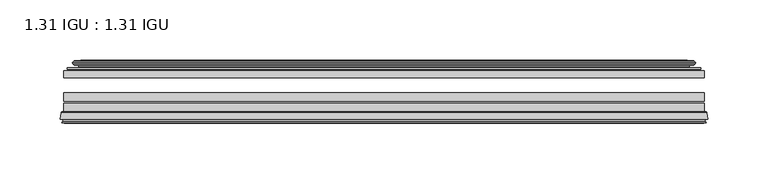
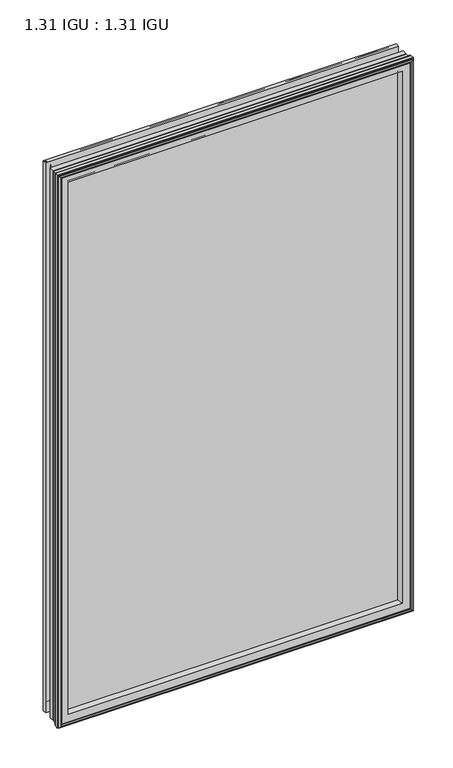
"""IFC4 building model written with IfcOpenShell, lengths in millimetres: plate geometry, 1.31 IGU : 1.31 IGU."""

from ifc_helpers import new_model, si_unit, frame, origin, place, context, project, spatial, polyline, ellipse_curve, outline, extrude, source, transform, mapped, element, save
from ifc_brep_helpers import plane_surface, cylinder_surface, revolved_surface, advanced_brep


def plate_1_31_igu_1_31_igu_f7d1cecb(model_context):
    return source(origin(), model_context, "Body", "SolidModel", [
        extrude(outline(polyline([(265.1078362, -44.8960875), (265.1078362, -50.4332875), (-265.1127713, -50.4332875), (-265.1127713, -44.8960875), (265.1078362, -44.8960875)])), frame((0.0, 0.0, -14.2875), z_axis=(0.0, 0.0, 1.0), x_axis=(1.0, 0.0, 0.0)), (0.0, 0.0, 1.0), 873.1260851),
        extrude(outline(polyline([(-265.1127713, -78.7796875), (-265.1127713, -71.7692875), (265.1078362, -71.7692875), (265.1078362, -78.7796875), (-265.1127713, -78.7796875)])), frame((0.0, 0.0, -14.2875), z_axis=(0.0, 0.0, 1.0), x_axis=(1.0, 0.0, 0.0)), (0.0, 0.0, 1.0), 873.1260851),
        extrude(outline(polyline([(-265.1127713, -70.2452875), (-265.1127713, -63.1332875), (265.1078362, -63.1332875), (265.1078362, -70.2452875), (-265.1127713, -70.2452875)])), frame((0.0, 0.0, -14.2875), z_axis=(0.0, 0.0, 1.0), x_axis=(1.0, 0.0, 0.0)), (0.0, 0.0, 1.0), 873.1260851),
        advanced_brep(
        [(-267.6596752, -85.1296875, 861.385489), (-266.9648914, -79.4711276, 860.6907053), (-266.9648914, -79.4711276, -16.1396201), (-267.6596752, -85.1296875, -16.8344039), (-265.2720752, -87.1207518, 858.997889), (-265.7292752, -85.1296875, 859.455089), (-265.7292752, -85.1296875, -14.9040039), (-265.2720752, -87.1207518, -14.4468039), (-266.2734371, -86.8524376, 859.9992509), (-266.2734371, -86.8524376, -15.4481658), (-266.5166752, -87.7602147, 860.242489), (-266.5166752, -87.7602147, -15.6914039), (-264.4846752, -88.3046875, 858.210489), (-264.4846752, -88.3046875, -13.6594039), (-262.4526752, -87.7602147, 856.178489), (-262.4526752, -87.7602147, -11.6274039), (-262.6959133, -86.8524376, 856.4217272), (-262.6959133, -86.8524376, -11.8706421), (-263.6972752, -87.1207518, 857.423089), (-263.6972752, -87.1207518, -12.8720039), (-263.2400752, -85.1296875, 856.965889), (-263.2400752, -85.1296875, -12.4148039), (-266.1833606, -78.7796875, 859.9091744), (-266.1833606, -78.7796875, -15.3580893), (266.9648914, -79.4711276, -16.1396201), (267.6596752, -85.1296875, -16.8344039), (265.7292752, -85.1296875, -14.9040039), (265.2720752, -87.1207518, -14.4468039), (266.2734371, -86.8524376, -15.4481658), (266.5166752, -87.7602147, -15.6914039), (264.4846752, -88.3046875, -13.6594039), (262.4526752, -87.7602147, -11.6274039), (262.6959133, -86.8524376, -11.8706421), (263.6972752, -87.1207518, -12.8720039), (263.2400752, -85.1296875, -12.4148039), (266.1833606, -78.7796875, -15.3580893), (266.9648914, -79.4711276, 860.6907053), (267.6596752, -85.1296875, 861.385489), (265.7292752, -85.1296875, 859.455089), (265.2720752, -87.1207518, 858.997889), (266.2734371, -86.8524376, 859.9992509), (266.5166752, -87.7602147, 860.242489), (264.4846752, -88.3046875, 858.210489), (262.4526752, -87.7602147, 856.178489), (262.6959133, -86.8524376, 856.4217272), (263.6972752, -87.1207518, 857.423089), (263.2400752, -85.1296875, 856.965889), (266.1833606, -78.7796875, 859.9091744), (-250.8374844, -85.1296875, 844.5632982), (250.8374844, -85.1296875, 844.5632982), (250.8374844, -85.1296875, -0.0122131), (-250.8374844, -85.1296875, -0.0122131), (-247.5212075, -78.7796875, 3.3040638), (247.5212075, -78.7796875, 3.3040638), (247.5212075, -78.7796875, 841.2470213), (-247.5212075, -78.7796875, 841.2470213)],
        [
            (0, 1),
            (1, 2),
            (2, 3),
            (3, 0),
            (4, 5),
            (5, 6),
            (6, 7),
            (7, 4),
            (8, 4),
            (7, 9),
            (9, 8),
            (10, 8),
            (9, 11),
            (11, 10),
            (12, 10),
            (11, 13),
            (13, 12),
            (14, 12),
            (13, 15),
            (15, 14),
            (16, 14),
            (15, 17),
            (17, 16),
            (18, 16),
            (17, 19),
            (19, 18),
            (20, 18),
            (19, 21),
            (21, 20),
            (1, 22, ellipse_curve(frame((-266.1833606, -79.5670875, 859.9091744), z_axis=(-0.7071067811865475, 0.0, -0.7071067811865475), x_axis=(-0.7071067811865474, 0.0, 0.7071067811865476)), 1.1135518, 0.7874)),
            (22, 23),
            (23, 2, ellipse_curve(frame((-266.1833606, -79.5670875, -15.3580893), z_axis=(-0.7071067811865475, 0.0, 0.7071067811865475), x_axis=(0.7071067811865474, 0.0, 0.7071067811865476)), 1.1135518, 0.7874)),
            (2, 24),
            (24, 25),
            (25, 3),
            (6, 26),
            (26, 27),
            (27, 7),
            (27, 28),
            (28, 9),
            (28, 29),
            (29, 11),
            (29, 30),
            (30, 13),
            (30, 31),
            (31, 15),
            (31, 32),
            (32, 17),
            (32, 33),
            (33, 19),
            (33, 34),
            (34, 21),
            (23, 35),
            (35, 24, ellipse_curve(frame((266.1833606, -79.5670875, -15.3580893), z_axis=(-0.7071067811865475, 0.0, -0.7071067811865475), x_axis=(-0.7071067811865476, 0.0, 0.7071067811865474)), 1.1135518, 0.7874)),
            (24, 36),
            (36, 37),
            (37, 25),
            (26, 38),
            (38, 39),
            (39, 27),
            (39, 40),
            (40, 28),
            (40, 41),
            (41, 29),
            (41, 42),
            (42, 30),
            (42, 43),
            (43, 31),
            (43, 44),
            (44, 32),
            (44, 45),
            (45, 33),
            (45, 46),
            (46, 34),
            (35, 47),
            (47, 36, ellipse_curve(frame((266.1833606, -79.5670875, 859.9091744), z_axis=(0.7071067811865475, 0.0, -0.7071067811865475), x_axis=(-0.7071067811865474, 0.0, -0.7071067811865476)), 1.1135518, 0.7874)),
            (36, 1),
            (0, 37),
            (5, 38),
            (4, 39),
            (8, 40),
            (10, 41),
            (12, 42),
            (14, 43),
            (16, 44),
            (18, 45),
            (20, 46),
            (48, 49),
            (49, 50),
            (50, 51),
            (51, 48),
            (22, 47),
            (52, 53),
            (53, 54),
            (54, 55),
            (55, 52),
            (55, 48, ellipse_curve(frame((-239.5881895, -86.963653, 833.3140033), z_axis=(0.7071067811865475, 0.0, 0.7071067811865475), x_axis=(0.7071067811865474, 0.0, -0.7071067811865476)), 16.118937, 11.3978097)),
            (51, 52, ellipse_curve(frame((-239.5881895, -86.963653, 11.2370818), z_axis=(0.7071067811865475, 0.0, -0.7071067811865475), x_axis=(-0.7071067811865474, 0.0, -0.7071067811865476)), 16.118937, 11.3978097)),
            (50, 53, ellipse_curve(frame((239.5881895, -86.963653, 11.2370818), z_axis=(0.7071067811865475, 0.0, 0.7071067811865475), x_axis=(0.7071067811865476, 0.0, -0.7071067811865474)), 16.118937, 11.3978097)),
            (49, 54, ellipse_curve(frame((239.5881895, -86.963653, 833.3140033), z_axis=(-0.7071067811865475, 0.0, 0.7071067811865475), x_axis=(0.7071067811865474, 0.0, 0.7071067811865476)), 16.118937, 11.3978097)),
        ],
        [
            plane_surface(frame((-266.9648914, -79.4711276, 860.6907053), z_axis=(-0.9925461516413008, 0.12186934340532067, 0.0), x_axis=(0.0, 0.0, -1.0))),
            plane_surface(frame((-265.7292752, -85.1296875, 859.455089), z_axis=(-0.9746347637895997, -0.22380142361654332, 0.0), x_axis=(0.0, 0.0, -1.0))),
            plane_surface(frame((-265.2720752, -87.1207518, 858.997889), z_axis=(0.25881904510266784, 0.9659258262890289, 0.0), x_axis=(0.0, 0.0, -1.0))),
            plane_surface(frame((-266.2734371, -86.8524376, 859.9992509), z_axis=(-0.9659258262890449, 0.2588190451026083, 0.0), x_axis=(0.0, 0.0, -1.0))),
            plane_surface(frame((-266.5166752, -87.7602147, 860.242489), z_axis=(-0.2588190451025689, -0.9659258262890554, 0.0), x_axis=(0.0, 0.0, -1.0))),
            plane_surface(frame((-264.4846752, -88.3046875, 858.210489), z_axis=(0.25881904510241466, -0.9659258262890968, 0.0), x_axis=(0.0, 0.0, -1.0))),
            plane_surface(frame((-262.4526752, -87.7602147, 856.178489), z_axis=(0.9659258262890272, 0.25881904510267406, 0.0), x_axis=(0.0, 0.0, -1.0))),
            plane_surface(frame((-262.6959133, -86.8524376, 856.4217272), z_axis=(-0.25881904510234177, 0.9659258262891163, 0.0), x_axis=(0.0, 0.0, -1.0))),
            plane_surface(frame((-263.6972752, -87.1207518, 857.423089), z_axis=(0.9746347637895936, -0.2238014236165695, 0.0), x_axis=(0.0, 0.0, -1.0))),
            cylinder_surface(frame((-266.1833606, -79.5670875, 876.3010851), z_axis=(0.0, 0.0, 1.0), x_axis=(-1.0, 0.0, 0.0)), 0.7874),
            plane_surface(frame((-266.9648914, -79.4711276, -16.1396201), z_axis=(0.0, 0.12186934340531747, -0.9925461516413012), x_axis=(1.0, 0.0, 0.0))),
            plane_surface(frame((-265.7292752, -85.1296875, -14.9040039), z_axis=(0.0, -0.22380142361654648, -0.9746347637895989), x_axis=(1.0, 0.0, 0.0))),
            plane_surface(frame((-265.2720752, -87.1207518, -14.4468039), z_axis=(0.0, 0.9659258262890298, 0.25881904510266474), x_axis=(1.0, 0.0, 0.0))),
            plane_surface(frame((-266.2734371, -86.8524376, -15.4481658), z_axis=(0.0, 0.25881904510260517, -0.9659258262890458), x_axis=(1.0, 0.0, 0.0))),
            plane_surface(frame((-266.5166752, -87.7602147, -15.6914039), z_axis=(0.0, -0.9659258262890563, -0.2588190451025658), x_axis=(1.0, 0.0, 0.0))),
            plane_surface(frame((-264.4846752, -88.3046875, -13.6594039), z_axis=(0.0, -0.965925826289096, 0.25881904510241777), x_axis=(1.0, 0.0, 0.0))),
            plane_surface(frame((-262.4526752, -87.7602147, -11.6274039), z_axis=(0.0, 0.2588190451026772, 0.9659258262890265), x_axis=(1.0, 0.0, 0.0))),
            plane_surface(frame((-262.6959133, -86.8524376, -11.8706421), z_axis=(0.0, 0.9659258262891154, -0.2588190451023449), x_axis=(1.0, 0.0, 0.0))),
            plane_surface(frame((-263.6972752, -87.1207518, -12.8720039), z_axis=(0.0, -0.22380142361656633, 0.9746347637895943), x_axis=(1.0, 0.0, 0.0))),
            cylinder_surface(frame((-282.5752713, -79.5670875, -15.3580893), z_axis=(-1.0, 0.0, 0.0), x_axis=(0.0, 0.0, -1.0)), 0.7874),
            plane_surface(frame((266.9648914, -79.4711276, -16.1396201), z_axis=(0.9925461516413017, 0.12186934340531426, 0.0), x_axis=(0.0, 0.0, 1.0))),
            plane_surface(frame((265.7292752, -85.1296875, -14.9040039), z_axis=(0.9746347637895981, -0.22380142361654964, 0.0), x_axis=(0.0, 0.0, 1.0))),
            plane_surface(frame((265.2720752, -87.1207518, -14.4468039), z_axis=(-0.2588190451026616, 0.9659258262890307, 0.0), x_axis=(0.0, 0.0, 1.0))),
            plane_surface(frame((266.2734371, -86.8524376, -15.4481658), z_axis=(0.9659258262890467, 0.25881904510260206, 0.0), x_axis=(0.0, 0.0, 1.0))),
            plane_surface(frame((266.5166752, -87.7602147, -15.6914039), z_axis=(0.2588190451025627, -0.9659258262890572, 0.0), x_axis=(0.0, 0.0, 1.0))),
            plane_surface(frame((264.4846752, -88.3046875, -13.6594039), z_axis=(-0.2588190451024209, -0.9659258262890951, 0.0), x_axis=(0.0, 0.0, 1.0))),
            plane_surface(frame((262.4526752, -87.7602147, -11.6274039), z_axis=(-0.9659258262890256, 0.25881904510268033, 0.0), x_axis=(0.0, 0.0, 1.0))),
            plane_surface(frame((262.6959133, -86.8524376, -11.8706421), z_axis=(0.25881904510234804, 0.9659258262891146, 0.0), x_axis=(0.0, 0.0, 1.0))),
            plane_surface(frame((263.6972752, -87.1207518, -12.8720039), z_axis=(-0.9746347637895951, -0.22380142361656316, 0.0), x_axis=(0.0, 0.0, 1.0))),
            cylinder_surface(frame((266.1833606, -79.5670875, -31.75), z_axis=(0.0, 0.0, -1.0), x_axis=(1.0, 0.0, 0.0)), 0.7874),
            plane_surface(frame((266.9648914, -79.4711276, 860.6907053), z_axis=(0.0, 0.12186934340531747, 0.9925461516413012), x_axis=(-1.0, 0.0, 0.0))),
            plane_surface(frame((267.6596752, -85.1296875, 861.385489), z_axis=(0.0, -1.0, 0.0), x_axis=(-1.0, 0.0, 0.0))),
            plane_surface(frame((265.7292752, -85.1296875, 859.455089), z_axis=(0.0, -0.22380142361654648, 0.9746347637895989), x_axis=(-1.0, 0.0, 0.0))),
            plane_surface(frame((265.2720752, -87.1207518, 858.997889), z_axis=(0.0, 0.9659258262890298, -0.25881904510266474), x_axis=(-1.0, 0.0, 0.0))),
            plane_surface(frame((266.2734371, -86.8524376, 859.9992509), z_axis=(0.0, 0.25881904510260517, 0.9659258262890458), x_axis=(-1.0, 0.0, 0.0))),
            plane_surface(frame((266.5166752, -87.7602147, 860.242489), z_axis=(0.0, -0.9659258262890563, 0.2588190451025658), x_axis=(-1.0, 0.0, 0.0))),
            plane_surface(frame((264.4846752, -88.3046875, 858.210489), z_axis=(0.0, -0.965925826289096, -0.25881904510241777), x_axis=(-1.0, 0.0, 0.0))),
            plane_surface(frame((262.4526752, -87.7602147, 856.178489), z_axis=(0.0, 0.2588190451026772, -0.9659258262890265), x_axis=(-1.0, 0.0, 0.0))),
            plane_surface(frame((262.6959133, -86.8524376, 856.4217272), z_axis=(0.0, 0.9659258262891155, 0.25881904510234494), x_axis=(-1.0, 0.0, 0.0))),
            plane_surface(frame((263.6972752, -87.1207518, 857.423089), z_axis=(0.0, -0.22380142361656633, -0.9746347637895943), x_axis=(-1.0, 0.0, 0.0))),
            plane_surface(frame((263.2400752, -85.1296875, 856.965889), z_axis=(0.0, -1.0, 0.0), x_axis=(-1.0, 0.0, 0.0))),
            plane_surface(frame((247.5212075, -78.7796875, 841.2470213), z_axis=(0.0, 1.0, 0.0), x_axis=(-1.0, 0.0, 0.0))),
            cylinder_surface(frame((282.5752713, -79.5670875, 859.9091744), z_axis=(1.0, 0.0, 0.0), x_axis=(0.0, 0.0, 1.0)), 0.7874),
            revolved_surface(polyline([(-250.9859992, -86.963653, -0.1607278582187064), (-250.9859992, -86.963653, 844.7118129582187)]), (-239.5881895, -86.963653, 876.3010851), (0.0, 0.0, -1.0)),
            revolved_surface(polyline([(250.9859991582187, -86.963653, -0.16072789999999948), (-250.98599915821873, -86.963653, -0.16072789999999948)]), (-282.5752713, -86.963653, 11.2370818), (1.0, 0.0, 0.0)),
            revolved_surface(polyline([(250.9859992, -86.963653, 844.7118129582187), (250.9859992, -86.963653, -0.16072785821874191)]), (239.5881895, -86.963653, -31.75), (0.0, 0.0, 1.0)),
            revolved_surface(polyline([(-250.9859991582187, -86.963653, 844.711813), (250.98599915821873, -86.963653, 844.711813)]), (282.5752713, -86.963653, 833.3140033), (-1.0, 0.0, 0.0)),
        ],
        [
            (0, [[1, 2, 3, 4]]),
            (1, [[5, 6, 7, 8]]),
            (2, [[9, -8, 10, 11]]),
            (3, [[12, -11, 13, 14]]),
            (4, [[15, -14, 16, 17]]),
            (5, [[18, -17, 19, 20]]),
            (6, [[21, -20, 22, 23]]),
            (7, [[24, -23, 25, 26]]),
            (8, [[27, -26, 28, 29]]),
            (9, [[30, 31, 32, -2]]),
            (10, [[-3, 33, 34, 35]]),
            (11, [[-7, 36, 37, 38]]),
            (12, [[-10, -38, 39, 40]]),
            (13, [[-13, -40, 41, 42]]),
            (14, [[-16, -42, 43, 44]]),
            (15, [[-19, -44, 45, 46]]),
            (16, [[-22, -46, 47, 48]]),
            (17, [[-25, -48, 49, 50]]),
            (18, [[-28, -50, 51, 52]]),
            (19, [[-32, 53, 54, -33]]),
            (20, [[-34, 55, 56, 57]]),
            (21, [[-37, 58, 59, 60]]),
            (22, [[-39, -60, 61, 62]]),
            (23, [[-41, -62, 63, 64]]),
            (24, [[-43, -64, 65, 66]]),
            (25, [[-45, -66, 67, 68]]),
            (26, [[-47, -68, 69, 70]]),
            (27, [[-49, -70, 71, 72]]),
            (28, [[-51, -72, 73, 74]]),
            (29, [[-54, 75, 76, -55]]),
            (30, [[-56, 77, -1, 78]]),
            (31, [[-35, -57, -78, -4], [79, -58, -36, -6]]),
            (32, [[-59, -79, -5, 80]]),
            (33, [[-61, -80, -9, 81]]),
            (34, [[-63, -81, -12, 82]]),
            (35, [[-65, -82, -15, 83]]),
            (36, [[-67, -83, -18, 84]]),
            (37, [[-69, -84, -21, 85]]),
            (38, [[-71, -85, -24, 86]]),
            (39, [[-73, -86, -27, 87]]),
            (40, [[-52, -74, -87, -29], [88, 89, 90, 91]]),
            (41, [[92, -75, -53, -31], [93, 94, 95, 96]]),
            (42, [[-76, -92, -30, -77]]),
            (43, [[97, -91, 98, -96]]),
            (44, [[-98, -90, 99, -93]]),
            (45, [[-99, -89, 100, -94]]),
            (46, [[-100, -88, -97, -95]]),
        ],
    ),
        advanced_brep(
        [(-255.7674468, -37.7373382, 849.4932606), (-250.8258138, -36.3108875, 844.5516277), (-250.8258138, -36.3108875, -0.0005426), (-255.7674468, -37.7373382, -4.9421755), (-255.6023415, -36.9605789, 849.3281553), (-255.6023415, -36.9605789, -4.7770702), (-256.1978272, -36.4771203, 849.923641), (-256.1978272, -36.4771203, -5.3725559), (-257.462463, -37.766076, 851.1882768), (-257.462463, -37.766076, -6.6371917), (-257.4516462, -38.8797852, 851.17746), (-257.4516462, -38.8797852, -6.6263749), (-256.170161, -40.1361433, 849.8959748), (-256.170161, -40.1361433, -5.3448897), (-255.5651542, -39.649943, 849.290968), (-255.5651542, -39.649943, -4.7398829), (-256.1191684, -39.0959287, 849.8449823), (-256.1191684, -39.0959287, -5.2938972), (-253.83336, -38.7029881, 847.5591739), (-253.83336, -38.7029881, -3.0080887), (-252.3742869, -40.2107282, 846.1001008), (-252.3742869, -40.2107282, -1.5490157), (-252.6708689, -41.651269, 846.3966827), (-252.6708689, -41.651269, -1.8455976), (-253.4420933, -42.2798875, 847.1679072), (-253.4420933, -42.2798875, -2.6168221), (-261.7460697, -43.4871542, 855.4718835), (-261.4708682, -42.2798875, 855.1966821), (-261.4708682, -42.2798875, -10.6455969), (-261.7460697, -43.4871542, -10.9207984), (-258.288501, -44.8960875, 852.0143149), (-258.288501, -44.8960875, -7.4632297), (-247.1908772, -44.023302, 840.9166911), (-247.5462152, -44.8960875, 841.272029), (-247.5462152, -44.8960875, 3.2790561), (-247.1908772, -44.023302, 3.6343941), (-247.8620752, -43.3681812, 841.5878891), (-247.8620752, -43.3681812, 2.963196), (-249.5028658, -40.6686056, 843.2286797), (-249.5028658, -40.6686056, 1.3224054), (250.8258138, -36.3108875, -0.0005426), (255.7674468, -37.7373382, -4.9421755), (255.6023415, -36.9605789, -4.7770702), (256.1978272, -36.4771203, -5.3725559), (257.462463, -37.766076, -6.6371917), (257.4516462, -38.8797852, -6.6263749), (256.170161, -40.1361433, -5.3448897), (255.5651542, -39.649943, -4.7398829), (256.1191684, -39.0959287, -5.2938972), (253.83336, -38.7029881, -3.0080887), (252.3742869, -40.2107282, -1.5490157), (252.6708689, -41.651269, -1.8455976), (253.4420933, -42.2798875, -2.6168221), (261.4708682, -42.2798875, -10.6455969), (261.7460697, -43.4871542, -10.9207984), (258.288501, -44.8960875, -7.4632297), (247.5462152, -44.8960875, 3.2790561), (247.1908772, -44.023302, 3.6343941), (247.8620752, -43.3681812, 2.963196), (249.5028658, -40.6686056, 1.3224054), (250.8258138, -36.3108875, 844.5516277), (255.7674468, -37.7373382, 849.4932606), (255.6023415, -36.9605789, 849.3281553), (256.1978272, -36.4771203, 849.923641), (257.462463, -37.766076, 851.1882768), (257.4516462, -38.8797852, 851.17746), (256.170161, -40.1361433, 849.8959748), (255.5651542, -39.649943, 849.290968), (256.1191684, -39.0959287, 849.8449823), (253.83336, -38.7029881, 847.5591739), (252.3742869, -40.2107282, 846.1001008), (252.6708689, -41.651269, 846.3966827), (253.4420933, -42.2798875, 847.1679072), (261.4708682, -42.2798875, 855.1966821), (261.7460697, -43.4871542, 855.4718835), (258.288501, -44.8960875, 852.0143149), (247.5462152, -44.8960875, 841.272029), (247.1908772, -44.023302, 840.9166911), (247.8620752, -43.3681812, 841.5878891), (249.5028658, -40.6686056, 843.2286797)],
        [
            (0, 1),
            (1, 2),
            (2, 3),
            (3, 0),
            (4, 0),
            (3, 5),
            (5, 4),
            (6, 4, ellipse_curve(frame((-255.9228584, -36.746901, 849.6486723), z_axis=(-0.7071067811865475, 0.0, -0.7071067811865475), x_axis=(-0.7071067811865474, 0.0, 0.7071067811865476)), 0.5447741, 0.3852135)),
            (5, 7, ellipse_curve(frame((-255.9228584, -36.746901, -5.0975871), z_axis=(-0.7071067811865475, 0.0, 0.7071067811865475), x_axis=(0.7071067811865474, 0.0, 0.7071067811865476)), 0.5447741, 0.3852135)),
            (7, 6),
            (8, 6),
            (7, 9),
            (9, 8),
            (10, 8, ellipse_curve(frame((-256.9004099, -38.3175243, 850.6262238), z_axis=(-0.7071067811865475, 0.0, -0.7071067811865475), x_axis=(-0.7071067811865474, 0.0, 0.7071067811865476)), 1.1135518, 0.7874)),
            (9, 11, ellipse_curve(frame((-256.9004099, -38.3175243, -6.0751387), z_axis=(-0.7071067811865475, 0.0, 0.7071067811865475), x_axis=(0.7071067811865474, 0.0, 0.7071067811865476)), 1.1135518, 0.7874)),
            (11, 10),
            (12, 10),
            (11, 13),
            (13, 12),
            (14, 12, ellipse_curve(frame((-255.8965635, -39.8570738, 849.6223773), z_axis=(-0.7071067811865475, 0.0, -0.7071067811865475), x_axis=(-0.7071067811865474, 0.0, 0.7071067811865476)), 0.552694, 0.3908137)),
            (13, 15, ellipse_curve(frame((-255.8965635, -39.8570738, -5.0712922), z_axis=(-0.7071067811865475, 0.0, 0.7071067811865475), x_axis=(0.7071067811865474, 0.0, 0.7071067811865476)), 0.552694, 0.3908137)),
            (15, 14),
            (16, 14),
            (15, 17),
            (17, 16),
            (18, 16),
            (17, 19),
            (19, 18),
            (20, 18, ellipse_curve(frame((-253.6181974, -39.954629, 847.3440112), z_axis=(0.7071067811865475, 0.0, 0.7071067811865475), x_axis=(0.7071067811865474, 0.0, -0.7071067811865476)), 1.7960512, 1.27)),
            (19, 21, ellipse_curve(frame((-253.6181974, -39.954629, -2.7929261), z_axis=(0.7071067811865475, 0.0, -0.7071067811865475), x_axis=(-0.7071067811865474, 0.0, -0.7071067811865476)), 1.7960512, 1.27)),
            (21, 20),
            (22, 20),
            (21, 23),
            (23, 22),
            (24, 22, ellipse_curve(frame((-253.4420933, -41.4924875, 847.1679072), z_axis=(0.7071067811865475, 0.0, 0.7071067811865475), x_axis=(0.7071067811865474, 0.0, -0.7071067811865476)), 1.1135518, 0.7874)),
            (23, 25, ellipse_curve(frame((-253.4420933, -41.4924875, -2.6168221), z_axis=(0.7071067811865475, 0.0, -0.7071067811865475), x_axis=(-0.7071067811865474, 0.0, -0.7071067811865476)), 1.1135518, 0.7874)),
            (25, 24),
            (26, 27, ellipse_curve(frame((-261.4708682, -42.9148875, 855.1966821), z_axis=(-0.7071067811865475, 0.0, -0.7071067811865475), x_axis=(-0.7071067811865474, 0.0, 0.7071067811865476)), 0.8980256, 0.635)),
            (27, 28),
            (28, 29, ellipse_curve(frame((-261.4708682, -42.9148875, -10.6455969), z_axis=(-0.7071067811865475, 0.0, 0.7071067811865475), x_axis=(0.7071067811865474, 0.0, 0.7071067811865476)), 0.8980256, 0.635)),
            (29, 26),
            (30, 26),
            (29, 31),
            (31, 30),
            (32, 33, ellipse_curve(frame((-247.5462152, -44.3873602, 841.272029), z_axis=(-0.7071067811865475, 0.0, -0.7071067811865475), x_axis=(-0.7071067811865474, 0.0, 0.7071067811865476)), 0.719449, 0.5087273)),
            (33, 34),
            (34, 35, ellipse_curve(frame((-247.5462152, -44.3873602, 3.2790561), z_axis=(-0.7071067811865475, 0.0, 0.7071067811865475), x_axis=(0.7071067811865474, 0.0, 0.7071067811865476)), 0.719449, 0.5087273)),
            (35, 32),
            (36, 32),
            (35, 37),
            (37, 36),
            (38, 36, ellipse_curve(frame((-243.426701, -38.823959, 837.1525149), z_axis=(0.7071067811865475, 0.0, 0.7071067811865475), x_axis=(0.7071067811865474, 0.0, -0.7071067811865476)), 8.9802561, 6.35)),
            (37, 39, ellipse_curve(frame((-243.426701, -38.823959, 7.3985702), z_axis=(0.7071067811865475, 0.0, -0.7071067811865475), x_axis=(-0.7071067811865474, 0.0, -0.7071067811865476)), 8.9802561, 6.35)),
            (39, 38),
            (1, 38),
            (39, 2),
            (2, 40),
            (40, 41),
            (41, 3),
            (41, 42),
            (42, 5),
            (42, 43, ellipse_curve(frame((255.9228584, -36.746901, -5.0975871), z_axis=(-0.7071067811865475, 0.0, -0.7071067811865475), x_axis=(-0.7071067811865476, 0.0, 0.7071067811865474)), 0.5447741, 0.3852135)),
            (43, 7),
            (43, 44),
            (44, 9),
            (44, 45, ellipse_curve(frame((256.9004099, -38.3175243, -6.0751387), z_axis=(-0.7071067811865475, 0.0, -0.7071067811865475), x_axis=(-0.7071067811865476, 0.0, 0.7071067811865474)), 1.1135518, 0.7874)),
            (45, 11),
            (45, 46),
            (46, 13),
            (46, 47, ellipse_curve(frame((255.8965635, -39.8570738, -5.0712922), z_axis=(-0.7071067811865475, 0.0, -0.7071067811865475), x_axis=(-0.7071067811865476, 0.0, 0.7071067811865474)), 0.552694, 0.3908137)),
            (47, 15),
            (47, 48),
            (48, 17),
            (48, 49),
            (49, 19),
            (49, 50, ellipse_curve(frame((253.6181974, -39.954629, -2.7929261), z_axis=(0.7071067811865475, 0.0, 0.7071067811865475), x_axis=(0.7071067811865476, 0.0, -0.7071067811865474)), 1.7960512, 1.27)),
            (50, 21),
            (50, 51),
            (51, 23),
            (51, 52, ellipse_curve(frame((253.4420933, -41.4924875, -2.6168221), z_axis=(0.7071067811865475, 0.0, 0.7071067811865475), x_axis=(0.7071067811865476, 0.0, -0.7071067811865474)), 1.1135518, 0.7874)),
            (52, 25),
            (28, 53),
            (53, 54, ellipse_curve(frame((261.4708682, -42.9148875, -10.6455969), z_axis=(-0.7071067811865475, 0.0, -0.7071067811865475), x_axis=(-0.7071067811865476, 0.0, 0.7071067811865474)), 0.8980256, 0.635)),
            (54, 29),
            (54, 55),
            (55, 31),
            (34, 56),
            (56, 57, ellipse_curve(frame((247.5462152, -44.3873602, 3.2790561), z_axis=(-0.7071067811865475, 0.0, -0.7071067811865475), x_axis=(-0.7071067811865476, 0.0, 0.7071067811865474)), 0.719449, 0.5087273)),
            (57, 35),
            (57, 58),
            (58, 37),
            (58, 59, ellipse_curve(frame((243.426701, -38.823959, 7.3985702), z_axis=(0.7071067811865475, 0.0, 0.7071067811865475), x_axis=(0.7071067811865476, 0.0, -0.7071067811865474)), 8.9802561, 6.35)),
            (59, 39),
            (59, 40),
            (40, 60),
            (60, 61),
            (61, 41),
            (61, 62),
            (62, 42),
            (62, 63, ellipse_curve(frame((255.9228584, -36.746901, 849.6486723), z_axis=(0.7071067811865475, 0.0, -0.7071067811865475), x_axis=(-0.7071067811865474, 0.0, -0.7071067811865476)), 0.5447741, 0.3852135)),
            (63, 43),
            (63, 64),
            (64, 44),
            (64, 65, ellipse_curve(frame((256.9004099, -38.3175243, 850.6262238), z_axis=(0.7071067811865475, 0.0, -0.7071067811865475), x_axis=(-0.7071067811865474, 0.0, -0.7071067811865476)), 1.1135518, 0.7874)),
            (65, 45),
            (65, 66),
            (66, 46),
            (66, 67, ellipse_curve(frame((255.8965635, -39.8570738, 849.6223773), z_axis=(0.7071067811865475, 0.0, -0.7071067811865475), x_axis=(-0.7071067811865474, 0.0, -0.7071067811865476)), 0.552694, 0.3908137)),
            (67, 47),
            (67, 68),
            (68, 48),
            (68, 69),
            (69, 49),
            (69, 70, ellipse_curve(frame((253.6181974, -39.954629, 847.3440112), z_axis=(-0.7071067811865475, 0.0, 0.7071067811865475), x_axis=(0.7071067811865474, 0.0, 0.7071067811865476)), 1.7960512, 1.27)),
            (70, 50),
            (70, 71),
            (71, 51),
            (71, 72, ellipse_curve(frame((253.4420933, -41.4924875, 847.1679072), z_axis=(-0.7071067811865475, 0.0, 0.7071067811865475), x_axis=(0.7071067811865474, 0.0, 0.7071067811865476)), 1.1135518, 0.7874)),
            (72, 52),
            (53, 73),
            (73, 74, ellipse_curve(frame((261.4708682, -42.9148875, 855.1966821), z_axis=(0.7071067811865475, 0.0, -0.7071067811865475), x_axis=(-0.7071067811865474, 0.0, -0.7071067811865476)), 0.8980256, 0.635)),
            (74, 54),
            (74, 75),
            (75, 55),
            (56, 76),
            (76, 77, ellipse_curve(frame((247.5462152, -44.3873602, 841.272029), z_axis=(0.7071067811865475, 0.0, -0.7071067811865475), x_axis=(-0.7071067811865474, 0.0, -0.7071067811865476)), 0.719449, 0.5087273)),
            (77, 57),
            (77, 78),
            (78, 58),
            (78, 79, ellipse_curve(frame((243.426701, -38.823959, 837.1525149), z_axis=(-0.7071067811865475, 0.0, 0.7071067811865475), x_axis=(0.7071067811865474, 0.0, 0.7071067811865476)), 8.9802561, 6.35)),
            (79, 59),
            (79, 60),
            (60, 1),
            (0, 61),
            (4, 62),
            (6, 63),
            (8, 64),
            (10, 65),
            (12, 66),
            (14, 67),
            (16, 68),
            (18, 69),
            (20, 70),
            (22, 71),
            (24, 72),
            (27, 73),
            (26, 74),
            (30, 75),
            (33, 76),
            (32, 77),
            (36, 78),
            (38, 79),
        ],
        [
            plane_surface(frame((-250.8258138, -36.3108875, 844.5516277), z_axis=(-0.27733649284928463, 0.9607728502273879, 0.0), x_axis=(0.0, 0.0, -1.0))),
            plane_surface(frame((-255.7674468, -37.7373382, 849.4932606), z_axis=(0.9781476007338358, -0.2079116908176177, 0.0), x_axis=(0.0, 0.0, -1.0))),
            cylinder_surface(frame((-255.9228584, -36.746901, 876.3010851), z_axis=(0.0, 0.0, 1.0), x_axis=(-1.0, 0.0, 0.0)), 0.3852135),
            plane_surface(frame((-256.1978272, -36.4771203, 849.923641), z_axis=(-0.7138087599382162, 0.7003406701280928, 0.0), x_axis=(0.0, 0.0, -1.0))),
            cylinder_surface(frame((-256.9004099, -38.3175243, 876.3010851), z_axis=(0.0, 0.0, 1.0), x_axis=(-1.0, 0.0, 0.0)), 0.7874),
            plane_surface(frame((-257.4516462, -38.8797852, 851.17746), z_axis=(-0.7000714109283732, -0.7140728391423082, 0.0), x_axis=(0.0, 0.0, -1.0))),
            cylinder_surface(frame((-255.8965635, -39.8570738, 876.3010851), z_axis=(0.0, 0.0, 1.0), x_axis=(-1.0, 0.0, 0.0)), 0.3908137),
            plane_surface(frame((-255.5651542, -39.649943, 849.290968), z_axis=(0.7071067811861126, 0.7071067811869826, 0.0), x_axis=(0.0, 0.0, -1.0))),
            plane_surface(frame((-256.1191684, -39.0959287, 849.8449823), z_axis=(0.16941940671011482, -0.9855440449974789, 0.0), x_axis=(0.0, 0.0, -1.0))),
            revolved_surface(polyline([(-254.88819740000002, -39.954629, -4.0629260828783345), (-254.88819740000002, -39.954629, 848.6140111828782)]), (-253.6181974, -39.954629, 876.3010851), (0.0, 0.0, -1.0)),
            plane_surface(frame((-252.3742869, -40.2107282, 846.1001008), z_axis=(-0.9794570432566897, 0.201652920670302, 0.0), x_axis=(0.0, 0.0, -1.0))),
            revolved_surface(polyline([(-254.2294933, -41.4924875, -3.4042221289824965), (-254.2294933, -41.4924875, 847.9553072289824)]), (-253.4420933, -41.4924875, 876.3010851), (0.0, 0.0, -1.0)),
            cylinder_surface(frame((-261.4708682, -42.9148875, 876.3010851), z_axis=(0.0, 0.0, 1.0), x_axis=(-1.0, 0.0, 0.0)), 0.635),
            plane_surface(frame((-261.7460697, -43.4871542, 855.4718835), z_axis=(-0.37736447542757934, -0.9260648209954139, 0.0), x_axis=(0.0, 0.0, -1.0))),
            cylinder_surface(frame((-247.5462152, -44.3873602, 876.3010851), z_axis=(0.0, 0.0, 1.0), x_axis=(-1.0, 0.0, 0.0)), 0.5087273),
            plane_surface(frame((-247.1908772, -44.023302, 840.9166911), z_axis=(0.698484125849927, 0.7156255486884628, 0.0), x_axis=(0.0, 0.0, -1.0))),
            revolved_surface(polyline([(-249.776701, -38.823959, 1.0485702148981773), (-249.776701, -38.823959, 843.5025148851018)]), (-243.426701, -38.823959, 876.3010851), (0.0, 0.0, -1.0)),
            plane_surface(frame((-249.5028658, -40.6686056, 843.2286797), z_axis=(0.9568763473517009, 0.2904955350411895, 0.0), x_axis=(0.0, 0.0, -1.0))),
            plane_surface(frame((-250.8258138, -36.3108875, -0.0005426), z_axis=(0.0, 0.960772850227387, -0.27733649284928774), x_axis=(1.0, 0.0, 0.0))),
            plane_surface(frame((-255.7674468, -37.7373382, -4.9421755), z_axis=(0.0, -0.20791169081761454, 0.9781476007338364), x_axis=(1.0, 0.0, 0.0))),
            cylinder_surface(frame((-282.5752713, -36.746901, -5.0975871), z_axis=(-1.0, 0.0, 0.0), x_axis=(0.0, 0.0, -1.0)), 0.3852135),
            plane_surface(frame((-256.1978272, -36.4771203, -5.3725559), z_axis=(0.0, 0.7003406701280904, -0.7138087599382185), x_axis=(1.0, 0.0, 0.0))),
            cylinder_surface(frame((-282.5752713, -38.3175243, -6.0751387), z_axis=(-1.0, 0.0, 0.0), x_axis=(0.0, 0.0, -1.0)), 0.7874),
            plane_surface(frame((-257.4516462, -38.8797852, -6.6263749), z_axis=(0.0, -0.7140728391423105, -0.7000714109283709), x_axis=(1.0, 0.0, 0.0))),
            cylinder_surface(frame((-282.5752713, -39.8570738, -5.0712922), z_axis=(-1.0, 0.0, 0.0), x_axis=(0.0, 0.0, -1.0)), 0.3908137),
            plane_surface(frame((-255.5651542, -39.649943, -4.7398829), z_axis=(0.0, 0.7071067811869849, 0.7071067811861103), x_axis=(1.0, 0.0, 0.0))),
            plane_surface(frame((-256.1191684, -39.0959287, -5.2938972), z_axis=(0.0, -0.9855440449974784, 0.16941940671011801), x_axis=(1.0, 0.0, 0.0))),
            revolved_surface(polyline([(254.88819738287833, -39.954629, -4.0629261), (-254.88819738287825, -39.954629, -4.0629261)]), (-282.5752713, -39.954629, -2.7929261), (1.0, 0.0, 0.0)),
            plane_surface(frame((-252.3742869, -40.2107282, -1.5490157), z_axis=(0.0, 0.20165292067029883, -0.9794570432566904), x_axis=(1.0, 0.0, 0.0))),
            revolved_surface(polyline([(254.22949332898253, -41.4924875, -3.4042220999999997), (-254.2294933289825, -41.4924875, -3.4042220999999997)]), (-282.5752713, -41.4924875, -2.6168221), (1.0, 0.0, 0.0)),
            cylinder_surface(frame((-282.5752713, -42.9148875, -10.6455969), z_axis=(-1.0, 0.0, 0.0), x_axis=(0.0, 0.0, -1.0)), 0.635),
            plane_surface(frame((-261.7460697, -43.4871542, -10.9207984), z_axis=(0.0, -0.9260648209954151, -0.37736447542757634), x_axis=(1.0, 0.0, 0.0))),
            cylinder_surface(frame((-282.5752713, -44.3873602, 3.2790561), z_axis=(-1.0, 0.0, 0.0), x_axis=(0.0, 0.0, -1.0)), 0.5087273),
            plane_surface(frame((-247.1908772, -44.023302, 3.6343941), z_axis=(0.0, 0.7156255486884651, 0.6984841258499247), x_axis=(1.0, 0.0, 0.0))),
            revolved_surface(polyline([(249.77670098510185, -38.823959, 1.0485702000000003), (-249.77670098510185, -38.823959, 1.0485702000000003)]), (-282.5752713, -38.823959, 7.3985702), (1.0, 0.0, 0.0)),
            plane_surface(frame((-249.5028658, -40.6686056, 1.3224054), z_axis=(0.0, 0.29049553504119263, 0.9568763473517), x_axis=(1.0, 0.0, 0.0))),
            plane_surface(frame((250.8258138, -36.3108875, -0.0005426), z_axis=(0.27733649284929085, 0.9607728502273861, 0.0), x_axis=(0.0, 0.0, 1.0))),
            plane_surface(frame((255.7674468, -37.7373382, -4.9421755), z_axis=(-0.9781476007338371, -0.20791169081761138, 0.0), x_axis=(0.0, 0.0, 1.0))),
            cylinder_surface(frame((255.9228584, -36.746901, -31.75), z_axis=(0.0, 0.0, -1.0), x_axis=(1.0, 0.0, 0.0)), 0.3852135),
            plane_surface(frame((256.1978272, -36.4771203, -5.3725559), z_axis=(0.7138087599382208, 0.7003406701280882, 0.0), x_axis=(0.0, 0.0, 1.0))),
            cylinder_surface(frame((256.9004099, -38.3175243, -31.75), z_axis=(0.0, 0.0, -1.0), x_axis=(1.0, 0.0, 0.0)), 0.7874),
            plane_surface(frame((257.4516462, -38.8797852, -6.6263749), z_axis=(0.7000714109283687, -0.7140728391423128, 0.0), x_axis=(0.0, 0.0, 1.0))),
            cylinder_surface(frame((255.8965635, -39.8570738, -31.75), z_axis=(0.0, 0.0, -1.0), x_axis=(1.0, 0.0, 0.0)), 0.3908137),
            plane_surface(frame((255.5651542, -39.649943, -4.7398829), z_axis=(-0.7071067811861079, 0.7071067811869872, 0.0), x_axis=(0.0, 0.0, 1.0))),
            plane_surface(frame((256.1191684, -39.0959287, -5.2938972), z_axis=(-0.1694194067101212, -0.9855440449974778, 0.0), x_axis=(0.0, 0.0, 1.0))),
            revolved_surface(polyline([(254.88819740000002, -39.954629, 848.6140111828782), (254.88819740000002, -39.954629, -4.062926082878235)]), (253.6181974, -39.954629, -31.75), (0.0, 0.0, 1.0)),
            plane_surface(frame((252.3742869, -40.2107282, -1.5490157), z_axis=(0.979457043256691, 0.20165292067029567, 0.0), x_axis=(0.0, 0.0, 1.0))),
            revolved_surface(polyline([(254.2294933, -41.4924875, 847.9553072289824), (254.2294933, -41.4924875, -3.404222128982486)]), (253.4420933, -41.4924875, -31.75), (0.0, 0.0, 1.0)),
            cylinder_surface(frame((261.4708682, -42.9148875, -31.75), z_axis=(0.0, 0.0, -1.0), x_axis=(1.0, 0.0, 0.0)), 0.635),
            plane_surface(frame((261.7460697, -43.4871542, -10.9207984), z_axis=(0.37736447542757334, -0.9260648209954163, 0.0), x_axis=(0.0, 0.0, 1.0))),
            cylinder_surface(frame((247.5462152, -44.3873602, -31.75), z_axis=(0.0, 0.0, -1.0), x_axis=(1.0, 0.0, 0.0)), 0.5087273),
            plane_surface(frame((247.1908772, -44.023302, 3.6343941), z_axis=(-0.6984841258499224, 0.7156255486884673, 0.0), x_axis=(0.0, 0.0, 1.0))),
            revolved_surface(polyline([(249.776701, -38.823959, 843.5025148851018), (249.776701, -38.823959, 1.0485702148981417)]), (243.426701, -38.823959, -31.75), (0.0, 0.0, 1.0)),
            plane_surface(frame((249.5028658, -40.6686056, 1.3224054), z_axis=(-0.9568763473516991, 0.29049553504119574, 0.0), x_axis=(0.0, 0.0, 1.0))),
            plane_surface(frame((250.8258138, -36.3108875, 844.5516277), z_axis=(0.0, 0.960772850227387, 0.27733649284928774), x_axis=(-1.0, 0.0, 0.0))),
            plane_surface(frame((255.7674468, -37.7373382, 849.4932606), z_axis=(0.0, -0.20791169081761454, -0.9781476007338364), x_axis=(-1.0, 0.0, 0.0))),
            cylinder_surface(frame((282.5752713, -36.746901, 849.6486723), z_axis=(1.0, 0.0, 0.0), x_axis=(0.0, 0.0, 1.0)), 0.3852135),
            plane_surface(frame((256.1978272, -36.4771203, 849.923641), z_axis=(0.0, 0.7003406701280904, 0.7138087599382185), x_axis=(-1.0, 0.0, 0.0))),
            cylinder_surface(frame((282.5752713, -38.3175243, 850.6262238), z_axis=(1.0, 0.0, 0.0), x_axis=(0.0, 0.0, 1.0)), 0.7874),
            plane_surface(frame((257.4516462, -38.8797852, 851.17746), z_axis=(0.0, -0.7140728391423106, 0.700071410928371), x_axis=(-1.0, 0.0, 0.0))),
            cylinder_surface(frame((282.5752713, -39.8570738, 849.6223773), z_axis=(1.0, 0.0, 0.0), x_axis=(0.0, 0.0, 1.0)), 0.3908137),
            plane_surface(frame((255.5651542, -39.649943, 849.290968), z_axis=(0.0, 0.7071067811869849, -0.7071067811861103), x_axis=(-1.0, 0.0, 0.0))),
            plane_surface(frame((256.1191684, -39.0959287, 849.8449823), z_axis=(0.0, -0.9855440449974784, -0.16941940671011801), x_axis=(-1.0, 0.0, 0.0))),
            revolved_surface(polyline([(-254.88819738287833, -39.954629, 848.6140111999999), (254.88819738287825, -39.954629, 848.6140111999999)]), (282.5752713, -39.954629, 847.3440112), (-1.0, 0.0, 0.0)),
            plane_surface(frame((252.3742869, -40.2107282, 846.1001008), z_axis=(0.0, 0.20165292067029883, 0.9794570432566904), x_axis=(-1.0, 0.0, 0.0))),
            revolved_surface(polyline([(-254.22949332898253, -41.4924875, 847.9553072), (254.2294933289825, -41.4924875, 847.9553072)]), (282.5752713, -41.4924875, 847.1679072), (-1.0, 0.0, 0.0)),
            plane_surface(frame((253.4420933, -42.2798875, 847.1679072), z_axis=(0.0, 1.0, 0.0), x_axis=(-1.0, 0.0, 0.0))),
            cylinder_surface(frame((282.5752713, -42.9148875, 855.1966821), z_axis=(1.0, 0.0, 0.0), x_axis=(0.0, 0.0, 1.0)), 0.635),
            plane_surface(frame((261.7460697, -43.4871542, 855.4718835), z_axis=(0.0, -0.9260648209954151, 0.37736447542757634), x_axis=(-1.0, 0.0, 0.0))),
            plane_surface(frame((258.288501, -44.8960875, 852.0143149), z_axis=(0.0, -1.0, 0.0), x_axis=(-1.0, 0.0, 0.0))),
            cylinder_surface(frame((282.5752713, -44.3873602, 841.272029), z_axis=(1.0, 0.0, 0.0), x_axis=(0.0, 0.0, 1.0)), 0.5087273),
            plane_surface(frame((247.1908772, -44.023302, 840.9166911), z_axis=(0.0, 0.7156255486884651, -0.6984841258499247), x_axis=(-1.0, 0.0, 0.0))),
            revolved_surface(polyline([(-249.77670098510185, -38.823959, 843.5025149), (249.77670098510185, -38.823959, 843.5025149)]), (282.5752713, -38.823959, 837.1525149), (-1.0, 0.0, 0.0)),
            plane_surface(frame((249.5028658, -40.6686056, 843.2286797), z_axis=(0.0, 0.29049553504119263, -0.9568763473517), x_axis=(-1.0, 0.0, 0.0))),
        ],
        [
            (0, [[1, 2, 3, 4]]),
            (1, [[5, -4, 6, 7]]),
            (2, [[8, -7, 9, 10]]),
            (3, [[11, -10, 12, 13]]),
            (4, [[14, -13, 15, 16]]),
            (5, [[17, -16, 18, 19]]),
            (6, [[20, -19, 21, 22]]),
            (7, [[23, -22, 24, 25]]),
            (8, [[26, -25, 27, 28]]),
            (9, [[29, -28, 30, 31]]),
            (10, [[32, -31, 33, 34]]),
            (11, [[35, -34, 36, 37]]),
            (12, [[38, 39, 40, 41]]),
            (13, [[42, -41, 43, 44]]),
            (14, [[45, 46, 47, 48]]),
            (15, [[49, -48, 50, 51]]),
            (16, [[52, -51, 53, 54]]),
            (17, [[55, -54, 56, -2]]),
            (18, [[-3, 57, 58, 59]]),
            (19, [[-6, -59, 60, 61]]),
            (20, [[-9, -61, 62, 63]]),
            (21, [[-12, -63, 64, 65]]),
            (22, [[-15, -65, 66, 67]]),
            (23, [[-18, -67, 68, 69]]),
            (24, [[-21, -69, 70, 71]]),
            (25, [[-24, -71, 72, 73]]),
            (26, [[-27, -73, 74, 75]]),
            (27, [[-30, -75, 76, 77]]),
            (28, [[-33, -77, 78, 79]]),
            (29, [[-36, -79, 80, 81]]),
            (30, [[-40, 82, 83, 84]]),
            (31, [[-43, -84, 85, 86]]),
            (32, [[-47, 87, 88, 89]]),
            (33, [[-50, -89, 90, 91]]),
            (34, [[-53, -91, 92, 93]]),
            (35, [[-56, -93, 94, -57]]),
            (36, [[-58, 95, 96, 97]]),
            (37, [[-60, -97, 98, 99]]),
            (38, [[-62, -99, 100, 101]]),
            (39, [[-64, -101, 102, 103]]),
            (40, [[-66, -103, 104, 105]]),
            (41, [[-68, -105, 106, 107]]),
            (42, [[-70, -107, 108, 109]]),
            (43, [[-72, -109, 110, 111]]),
            (44, [[-74, -111, 112, 113]]),
            (45, [[-76, -113, 114, 115]]),
            (46, [[-78, -115, 116, 117]]),
            (47, [[-80, -117, 118, 119]]),
            (48, [[-83, 120, 121, 122]]),
            (49, [[-85, -122, 123, 124]]),
            (50, [[-88, 125, 126, 127]]),
            (51, [[-90, -127, 128, 129]]),
            (52, [[-92, -129, 130, 131]]),
            (53, [[-94, -131, 132, -95]]),
            (54, [[-96, 133, -1, 134]]),
            (55, [[-98, -134, -5, 135]]),
            (56, [[-100, -135, -8, 136]]),
            (57, [[-102, -136, -11, 137]]),
            (58, [[-104, -137, -14, 138]]),
            (59, [[-106, -138, -17, 139]]),
            (60, [[-108, -139, -20, 140]]),
            (61, [[-110, -140, -23, 141]]),
            (62, [[-112, -141, -26, 142]]),
            (63, [[-114, -142, -29, 143]]),
            (64, [[-116, -143, -32, 144]]),
            (65, [[-118, -144, -35, 145]]),
            (66, [[146, -120, -82, -39], [-81, -119, -145, -37]]),
            (67, [[-121, -146, -38, 147]]),
            (68, [[-123, -147, -42, 148]]),
            (69, [[-86, -124, -148, -44], [149, -125, -87, -46]]),
            (70, [[-126, -149, -45, 150]]),
            (71, [[-128, -150, -49, 151]]),
            (72, [[-130, -151, -52, 152]]),
            (73, [[-132, -152, -55, -133]]),
        ],
    ),
    ])


if __name__ == "__main__":
    model = new_model("IFC4")
    model_context = context("Model", 3, world=origin())
    ifc_project = project(units=[si_unit("LENGTHUNIT", "METRE", prefix="MILLI")], contexts=[model_context])
    site = spatial("IfcSite", under=ifc_project)
    building = spatial("IfcBuilding", under=site)
    placement = place(None, origin())
    plate_1_31_igu_1_31_igu_shape = plate_1_31_igu_1_31_igu_f7d1cecb(model_context)
    element("IfcPlate", 1, ObjectType="1.31 IGU : 1.31 IGU", at=placement, inside=building, context=model_context, shape_type="MappedRepresentation", body=[
        mapped(plate_1_31_igu_1_31_igu_shape, transform((0.0, 0.0, 0.0), x_axis=(1.0, 0.0, 0.0), y_axis=(0.0, 1.0, 0.0), z_axis=(0.0, 0.0, 1.0))),
    ])
    save(model, "model.ifc")
